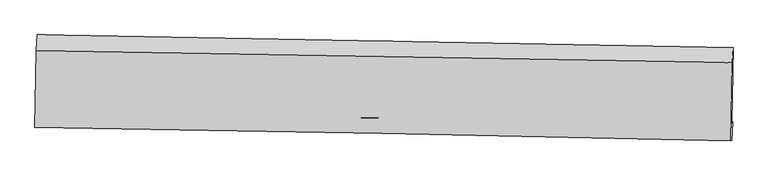
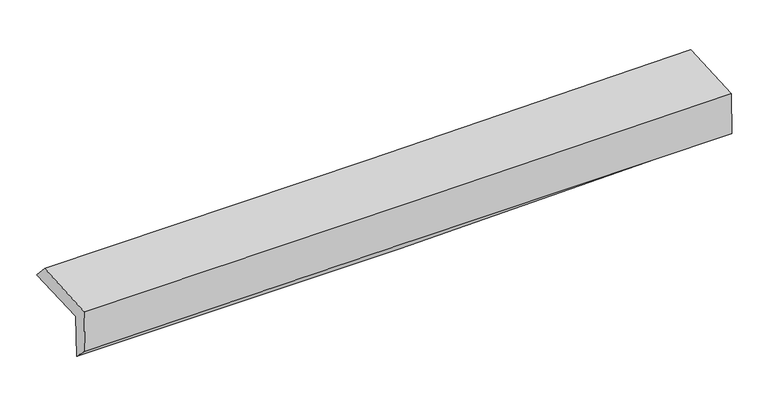
"""IFC4 building model written with IfcOpenShell, lengths in millimetres: proxy geometry."""

from ifc_helpers import new_model, si_unit, frame, origin, place, context, project, spatial, source, transform, mapped, element, save
from ifc_brep_helpers import plane_surface, spline_curve, spline_surface, advanced_brep


def generic_models_6671450d(model_context):
    return source(origin(), model_context, "Body", "AdvancedBrep", [
        advanced_brep(
        [(-3030.420321, -1746.4105891, 1961.7901378), (-3017.6894801, -1087.0047446, 1972.3187596), (3019.6455248, -1197.5506932, 2114.46758), (3006.987808, -1853.9626603, 2103.2690906), (-3021.6909303, -1743.1155314, 1555.9632978), (3015.6227716, -1843.9233076, 1708.0712292), (-3027.6107864, -1889.1740692, 1698.8248038), (3009.8708831, -2006.755815, 1827.6297422), (-3036.1262682, -1890.9788885, 2096.0041361), (3001.2469265, -2008.5836251, 2229.868564), (-3023.5107224, -1223.3374328, 2119.511485), (3014.0937325, -1328.7033847, 2253.8068349)],
        [
            (0, 1),
            (1, 2, spline_curve(3, [(-3017.6894801, -1087.0047446, 1972.3187596), (-2011.29129232, -1104.462457838, 1989.26444273), (-1004.987276069, -1122.403354613, 2009.582827757), (1007.457730419, -1159.251979939, 2056.965598113), (2013.598715455, -1178.159732356, 2084.030153293), (3019.6455248, -1197.5506932, 2114.46758)], [4, 2, 4], [0.0, 9.908272100278094, 19.816793493769705])),
            (2, 3),
            (3, 0, spline_curve(3, [(3006.987808, -1853.9626603, 2103.2690906), (2001.070546297, -1842.199186415, 2059.745018942), (994.988239852, -1827.354625375, 2026.193047164), (-1017.481144595, -1791.503780225, 1979.033898093), (-2023.868214818, -1770.497650759, 1965.426218688), (-3030.420321, -1746.4105891, 1961.7901378)], [4, 2, 4], [0.0, 9.908521393491611, 19.816793493769705])),
            (4, 0),
            (3, 5),
            (5, 4, spline_curve(3, [(3015.6227716, -1843.9233076, 1708.0712292), (2010.008058303, -1821.869094135, 1659.846498077), (1004.084893517, -1802.441266517, 1623.058456121), (-1008.353022456, -1768.838806598, 1572.356387506), (-2014.867758338, -1754.664042127, 1558.441785806), (-3021.6909303, -1743.1155314, 1555.9632978)], [4, 2, 4], [0.0, 9.908891616529402, 19.81753393053067])),
            (6, 4),
            (5, 7),
            (7, 6, spline_curve(3, [(3009.8708831, -2006.755815, 1827.6297422), (2003.658090219, -1984.672714107, 1807.443891146), (997.42189174, -1963.832576968, 1786.617077409), (-1015.071999375, -1924.638724487, 1743.682065909), (-2021.329690665, -1906.284946084, 1721.573899957), (-3027.6107864, -1889.1740692, 1698.8248038)], [4, 2, 4], [0.0, 9.908451625823469, 19.816653960188738])),
            (8, 6),
            (7, 9),
            (9, 8, spline_curve(3, [(3001.2469265, -2008.5836251, 2229.868564), (1995.234468258, -1986.458064022, 2200.338697321), (989.107475565, -1965.594781542, 2174.418300294), (-1023.350261655, -1926.393266009, 2129.797005837), (-2029.6810006, -1908.054969883, 2111.09592715), (-3036.1262682, -1890.9788885, 2096.0041361)], [4, 2, 4], [0.0, 9.908283822031887, 19.81631835682743])),
            (10, 8),
            (9, 11),
            (11, 10, spline_curve(3, [(3014.0937325, -1328.7033847, 2253.8068349), (2007.981132392, -1311.877538828, 2224.09036786), (1001.784797534, -1294.684004675, 2198.040760417), (-1010.750025054, -1259.562002356, 2153.275828321), (-2017.088508427, -1241.63355225, 2134.56031919), (-3023.5107224, -1223.3374328, 2119.511485)], [4, 2, 4], [0.0, 9.90834911326302, 19.816448937647003])),
            (1, 10),
            (11, 2),
        ],
        [
            spline_surface(3, 3, [[(-3030.420321, -1746.4105891, 1961.7901378), (-2023.868214839, -1770.497650688, 1965.426218674), (-1017.481144688, -1791.503780078, 1979.03389806), (994.988239944, -1827.354625522, 2026.193047197), (2001.070546138, -1842.199186515, 2059.745018779), (3006.987808, -1853.9626603, 2103.2690906)], [(-3026.176707362, -1526.608640937, 1965.299678402), (-2019.675907352, -1548.485919704, 1973.372293314), (-1013.316521773, -1568.470304952, 1989.216874591), (999.144736772, -1604.653743654, 2036.450564152), (2005.246602638, -1620.852701829, 2067.840063581), (3011.20704694, -1635.158671259, 2107.001920414)], [(-3021.933093738, -1306.806692763, 1968.809218998), (-2015.48359988, -1326.47418871, 1981.318367947), (-1009.151898924, -1345.436829794, 1999.3998512), (1003.301233532, -1381.952861752, 2046.708081185), (2009.422659117, -1399.506217167, 2075.935108341), (3015.42628586, -1416.354682241, 2110.734750186)], [(-3017.6894801, -1087.0047446, 1972.3187596), (-2011.291292392, -1104.462457726, 1989.264442587), (-1004.987276009, -1122.403354668, 2009.58282773), (1007.457730359, -1159.251979884, 2056.96559814), (2013.598715617, -1178.159732481, 2084.030153143), (3019.6455248, -1197.5506932, 2114.46758)]], [4, 4], [4, 2, 4], [0.0, 2.196261640105764], [0.0, 9.908272100278094, 19.816793493769705]),
            spline_surface(3, 3, [[(-3021.6909303, -1743.1155314, 1555.9632978), (-2014.867758462, -1754.664042025, 1558.441785927), (-1008.353022544, -1768.838806604, 1572.356387661), (1004.084893605, -1802.441266512, 1623.058455965), (2010.008058331, -1821.869094006, 1659.846498073), (3015.6227716, -1843.9233076, 1708.0712292)], [(-3024.600727198, -1744.213883954, 1691.238911131), (-2017.867910585, -1759.941911567, 1694.103263507), (-1011.39572994, -1776.393797743, 1707.915557816), (1001.052675703, -1810.745719497, 1757.436653064), (2007.028887601, -1828.645791508, 1793.146004977), (3012.744450401, -1847.269758499, 1839.803849668)], [(-3027.510524102, -1745.312236546, 1826.514524469), (-2020.868062715, -1765.219781147, 1829.764741094), (-1014.438437292, -1783.948788938, 1843.474727906), (998.020457846, -1819.050172537, 1891.814850098), (2004.049716868, -1835.422489013, 1926.445511876), (3009.866129199, -1850.616209401, 1971.536470132)], [(-3030.420321, -1746.4105891, 1961.7901378), (-2023.868214839, -1770.497650688, 1965.426218674), (-1017.481144688, -1791.503780078, 1979.03389806), (994.988239944, -1827.354625522, 2026.193047197), (2001.070546138, -1842.199186515, 2059.745018779), (3006.987808, -1853.9626603, 2103.2690906)]], [4, 4], [4, 2, 4], [0.0, 1.3310583586917115], [0.0, 9.908642314001266, 19.81753393053067]),
            spline_surface(3, 3, [[(-3027.6107864, -1889.1740692, 1698.8248038), (-2021.329690668, -1906.284946059, 1721.57389984), (-1015.071999333, -1924.638724371, 1743.68206579), (997.421891698, -1963.832577084, 1786.617077528), (2003.658090156, -1984.672714058, 1807.443891007), (3009.8708831, -2006.755815, 1827.6297422)], [(-3025.637501015, -1840.487889933, 1651.204301816), (-2019.175713248, -1855.744644714, 1667.196528551), (-1012.83234041, -1872.705418447, 1686.573506421), (999.642892327, -1910.035473559, 1732.097537014), (2005.774746207, -1930.404840713, 1758.244760005), (3011.78817926, -1952.478312539, 1787.77690451)], [(-3023.664215685, -1791.801710667, 1603.583799784), (-2017.021735882, -1805.204343371, 1612.819157215), (-1010.592681467, -1820.772112527, 1629.46494703), (1001.863892976, -1856.238370037, 1677.577996479), (2007.891402279, -1876.136967351, 1709.045629075), (3013.70547544, -1898.200810061, 1747.92406689)], [(-3021.6909303, -1743.1155314, 1555.9632978), (-2014.867758462, -1754.664042025, 1558.441785927), (-1008.353022544, -1768.838806604, 1572.356387661), (1004.084893605, -1802.441266512, 1623.058455965), (2010.008058331, -1821.869094006, 1659.846498073), (3015.6227716, -1843.9233076, 1708.0712292)]], [4, 4], [4, 2, 4], [0.0, 0.7569730337182414], [0.0, 9.908202334365269, 19.816653960188738]),
            spline_surface(3, 3, [[(-3036.1262682, -1890.9788885, 2096.0041361), (-2029.68100068, -1908.054969863, 2111.095927115), (-1023.350261702, -1926.393266107, 2129.797005886), (989.107475613, -1965.594781444, 2174.418300245), (1995.234468231, -1986.458064095, 2200.338697411), (3001.2469265, -2008.5836251, 2229.868564)], [(-3033.287774282, -1890.377282066, 1963.611025334), (-2026.897230691, -1907.464961928, 1981.255251357), (-1020.590840907, -1925.808418878, 2001.092025849), (991.878947647, -1965.007380007, 2045.151226), (1998.042342226, -1985.862947421, 2069.373761948), (3004.12157872, -2007.974355072, 2095.788956738)], [(-3030.449280318, -1889.775675634, 1831.217914566), (-2024.113460656, -1906.874953994, 1851.414575598), (-1017.831420129, -1925.2235716, 1872.387045828), (994.650419664, -1964.419978521, 1915.884151772), (2000.850216162, -1985.267830732, 1938.40882647), (3006.99623088, -2007.365085028, 1961.709349462)], [(-3027.6107864, -1889.1740692, 1698.8248038), (-2021.329690668, -1906.284946059, 1721.57389984), (-1015.071999333, -1924.638724371, 1743.68206579), (997.421891698, -1963.832577084, 1786.617077528), (2003.658090156, -1984.672714058, 1807.443891007), (3009.8708831, -2006.755815, 1827.6297422)]], [4, 4], [4, 2, 4], [0.0, 1.269852437329919], [0.0, 9.908034534795544, 19.81631835682743]),
            spline_surface(3, 3, [[(-3023.5107224, -1223.3374328, 2119.511485), (-2017.088508342, -1241.63355232, 2134.560319032), (-1010.750025022, -1259.562002279, 2153.275828303), (1001.784797502, -1294.684004752, 2198.040760435), (2007.98113246, -1311.877538749, 2224.090367779), (3014.0937325, -1328.7033847, 2253.8068349)], [(-3027.71590433, -1445.884584701, 2111.675702034), (-2021.286005784, -1463.774024835, 2126.73885506), (-1014.950103907, -1481.83909023, 2145.449554165), (997.559023548, -1518.320930325, 2190.166607039), (2003.732244362, -1536.737713845, 2216.173144329), (3009.811463811, -1555.330131481, 2245.827411273)], [(-3031.92108627, -1668.431736599, 2103.839919066), (-2025.483503238, -1685.914497348, 2118.917391086), (-1019.150182818, -1704.116178156, 2137.623280025), (993.333249567, -1741.957855871, 2182.292453641), (1999.483356329, -1761.597888999, 2208.255920861), (3005.529195189, -1781.956878319, 2237.847987627)], [(-3036.1262682, -1890.9788885, 2096.0041361), (-2029.68100068, -1908.054969863, 2111.095927115), (-1023.350261702, -1926.393266107, 2129.797005886), (989.107475613, -1965.594781444, 2174.418300245), (1995.234468231, -1986.458064095, 2200.338697411), (3001.2469265, -2008.5836251, 2229.868564)]], [4, 4], [4, 2, 4], [0.0, 2.1962102083329356], [0.0, 9.908099824383983, 19.816448937647003]),
            spline_surface(3, 3, [[(-3017.6894801, -1087.0047446, 1972.3187596), (-2011.291292392, -1104.462457726, 1989.264442587), (-1004.987276009, -1122.403354668, 2009.58282773), (1007.457730359, -1159.251979884, 2056.96559814), (2013.598715617, -1178.159732481, 2084.030153143), (3019.6455248, -1197.5506932, 2114.46758)], [(-3019.629894214, -1132.448974009, 2021.383001383), (-2013.223697723, -1150.186155933, 2037.696401385), (-1006.908192362, -1168.122903855, 2057.48049459), (1005.566752725, -1204.395988158, 2103.99065224), (2011.7261879, -1222.732334588, 2130.716891353), (3017.794927368, -1241.268257051, 2160.913998298)], [(-3021.570308286, -1177.893203391, 2070.447243217), (-2015.156103012, -1195.909854113, 2086.128360234), (-1008.829108669, -1213.842453091, 2105.378161444), (1003.675775136, -1249.539996479, 2151.015706335), (2009.853660177, -1267.304936642, 2177.403629569), (3015.944329932, -1284.985820849, 2207.360416602)], [(-3023.5107224, -1223.3374328, 2119.511485), (-2017.088508342, -1241.63355232, 2134.560319032), (-1010.750025022, -1259.562002279, 2153.275828303), (1001.784797502, -1294.684004752, 2198.040760435), (2007.98113246, -1311.877538749, 2224.090367779), (3014.0937325, -1328.7033847, 2253.8068349)]], [4, 4], [4, 2, 4], [0.0, 0.6469357380700177], [0.0, 9.908110488311518, 19.816470265770377]),
            plane_surface(frame((3011.2446078, -1706.5799143, 2039.5188401), z_axis=(0.999579330434217, -0.01963916986501674, 0.02134163010868076), x_axis=(0.02143474428125643, 0.00454300077242525, -0.9997599276234165))),
            plane_surface(frame((-3026.1747514, -1596.6702093, 1900.7354367), z_axis=(-0.9995793304342169, 0.01963916986491545, -0.02134163010877823), x_axis=(-0.019300477000472806, -0.999686306703182, -0.015961822505771567))),
        ],
        [
            (0, [[1, 2, 3, 4]]),
            (1, [[5, -4, 6, 7]]),
            (2, [[8, -7, 9, 10]]),
            (3, [[11, -10, 12, 13]]),
            (4, [[14, -13, 15, 16]]),
            (5, [[17, -16, 18, -2]]),
            (6, [[-12, -9, -6, -3, -18, -15]]),
            (7, [[-1, -5, -8, -11, -14, -17]]),
        ],
    ),
    ])


if __name__ == "__main__":
    model = new_model("IFC4")
    model_context = context("Model", 3, world=origin())
    ifc_project = project(units=[si_unit("LENGTHUNIT", "METRE", prefix="MILLI")], contexts=[model_context])
    site = spatial("IfcSite", under=ifc_project)
    building = spatial("IfcBuilding", under=site)
    placement = place(None, origin())
    generic_models_shape = generic_models_6671450d(model_context)
    element("IfcBuildingElementProxy", 1, Name="Generic Models", at=placement, inside=building, context=model_context, shape_type="MappedRepresentation", body=[
        mapped(generic_models_shape, transform((0.0, 0.0, 0.0), x_axis=(1.0, 0.0, 0.0), y_axis=(0.0, 1.0, 0.0), z_axis=(0.0, 0.0, 1.0))),
    ])
    save(model, "model.ifc")
